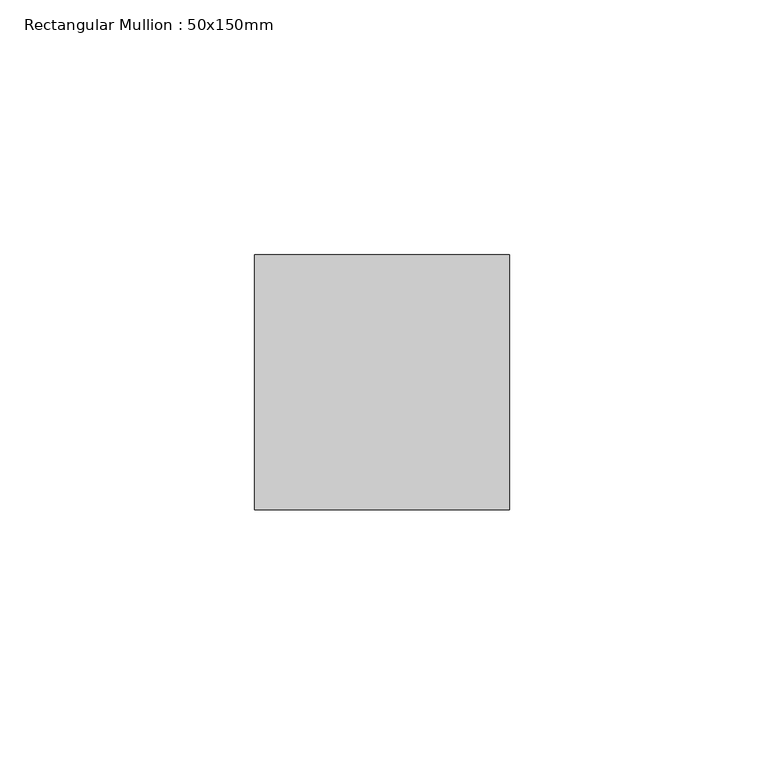
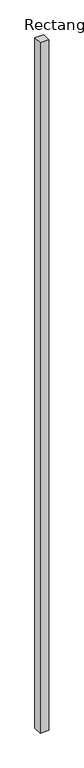
"""IFC4 building model written with IfcOpenShell, lengths in millimetres: member geometry, Rectangular Mullion : 50x150mm."""

from ifc_helpers import new_model, si_unit, frame, origin, place, context, project, spatial, polyline, outline, extrude, source, transform, mapped, element, save


def rectangular_mullion_50x150mm_ce299a5b(model_context):
    return source(origin(), model_context, "Body", "SweptSolid", [
        extrude(outline(polyline([(25.0, 25.0), (25.0, -25.0), (-25.0, -25.0), (-25.0, 25.0), (25.0, 25.0)])), frame((0.0, 0.0, -4120.0), z_axis=(0.0, 0.0, 1.0), x_axis=(1.0, 0.0, 0.0)), (0.0, 0.0, 1.0), 4120.0),
    ])


if __name__ == "__main__":
    model = new_model("IFC4")
    model_context = context("Model", 3, world=origin())
    ifc_project = project(units=[si_unit("LENGTHUNIT", "METRE", prefix="MILLI")], contexts=[model_context])
    site = spatial("IfcSite", under=ifc_project)
    building = spatial("IfcBuilding", under=site)
    placement = place(None, origin())
    rectangular_mullion_50x150mm_shape = rectangular_mullion_50x150mm_ce299a5b(model_context)
    element("IfcMember", 1, ObjectType="Rectangular Mullion : 50x150mm", at=placement, inside=building, context=model_context, shape_type="MappedRepresentation", body=[
        mapped(rectangular_mullion_50x150mm_shape, transform((0.0, 0.0, 0.0), x_axis=(1.0, 0.0, 0.0), y_axis=(0.0, 1.0, 0.0), z_axis=(0.0, 0.0, 1.0))),
    ])
    save(model, "model.ifc")
